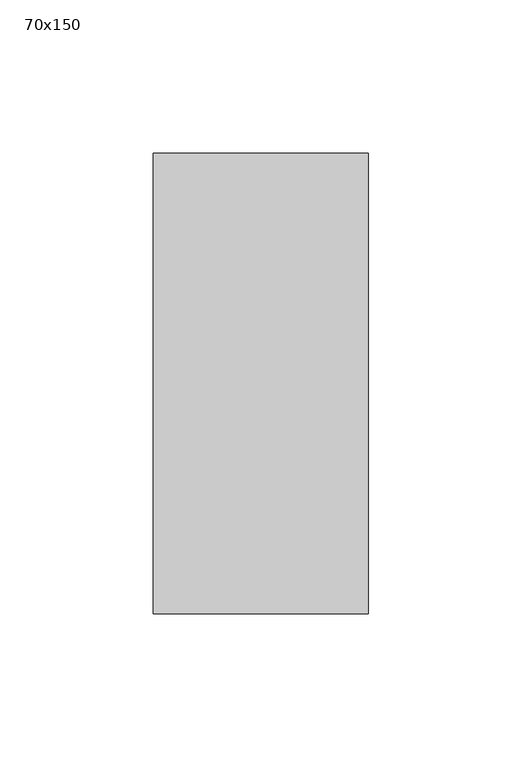
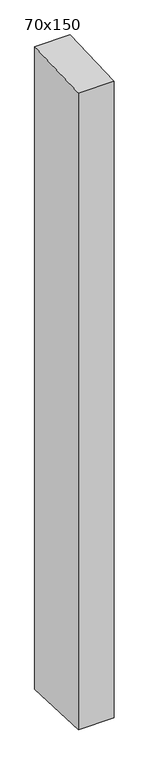
"""IFC4 building model written with IfcOpenShell, lengths in millimetres: member geometry, 70x150."""

from ifc_helpers import new_model, si_unit, frame, origin, place, context, project, spatial, polyline, outline, extrude, source, transform, mapped, element, save


def member_70x150_2769210a(model_context):
    return source(origin(), model_context, "Body", "SweptSolid", [
        extrude(outline(polyline([(-75.0, -3.0613676), (75.0, 3.0613676), (75.0, -1337.8366063), (-75.0, -1330.8159033), (-75.0, -3.0613676)])), frame((-70.0, 0.0, 0.0), z_axis=(1.0, 0.0, 0.0), x_axis=(0.0, 1.0, 0.0)), (0.0, 0.0, 1.0), 70.0),
    ])


if __name__ == "__main__":
    model = new_model("IFC4")
    model_context = context("Model", 3, world=origin())
    ifc_project = project(units=[si_unit("LENGTHUNIT", "METRE", prefix="MILLI")], contexts=[model_context])
    site = spatial("IfcSite", under=ifc_project)
    building = spatial("IfcBuilding", under=site)
    placement = place(None, origin())
    member_70x150_shape = member_70x150_2769210a(model_context)
    element("IfcMember", 1, ObjectType="70x150", at=placement, inside=building, context=model_context, shape_type="MappedRepresentation", body=[
        mapped(member_70x150_shape, transform((0.0, 0.0, 0.0), x_axis=(1.0, 0.0, 0.0), y_axis=(0.0, 1.0, 0.0), z_axis=(0.0, 0.0, 1.0))),
    ])
    save(model, "model.ifc")
